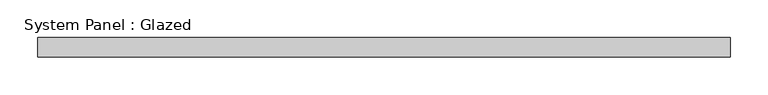
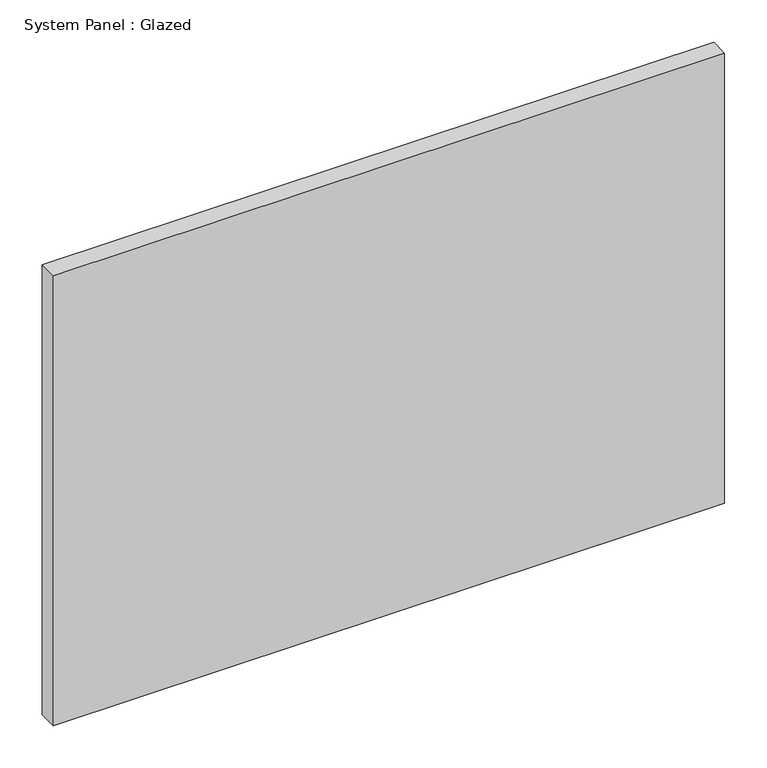
"""IFC4 building model written with IfcOpenShell, lengths in millimetres: plate geometry, System Panel : Glazed."""

from ifc_helpers import new_model, si_unit, origin, origin_with_axes, place, context, project, spatial, polyline, outline, extrude, source, transform, mapped, element, save


def system_panel_glazed_f776daa4(model_context):
    return source(origin(), model_context, "Body", "SweptSolid", [
        extrude(outline(polyline([(457.2, -44.45), (-457.2, -44.45), (-457.2, -19.05), (457.2, -19.05), (457.2, -44.45)])), origin_with_axes(), (0.0, 0.0, 1.0), 647.7),
    ])


if __name__ == "__main__":
    model = new_model("IFC4")
    model_context = context("Model", 3, world=origin())
    ifc_project = project(units=[si_unit("LENGTHUNIT", "METRE", prefix="MILLI")], contexts=[model_context])
    site = spatial("IfcSite", under=ifc_project)
    building = spatial("IfcBuilding", under=site)
    placement = place(None, origin())
    system_panel_glazed_shape = system_panel_glazed_f776daa4(model_context)
    element("IfcPlate", 1, ObjectType="System Panel : Glazed", at=placement, inside=building, context=model_context, shape_type="MappedRepresentation", body=[
        mapped(system_panel_glazed_shape, transform((0.0, 0.0, 0.0), x_axis=(1.0, 0.0, 0.0), y_axis=(0.0, 1.0, 0.0), z_axis=(0.0, 0.0, 1.0))),
    ])
    save(model, "model.ifc")
